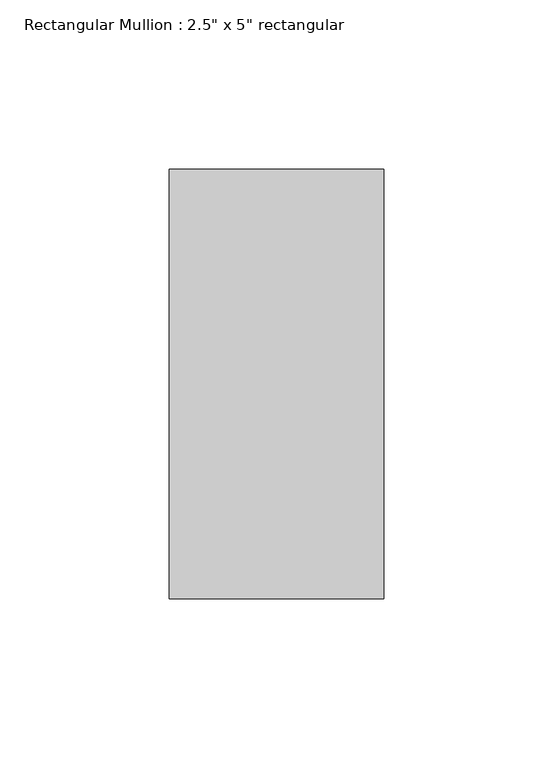
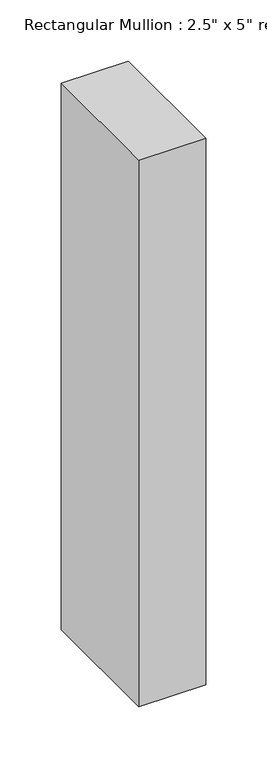
"""IFC4 building model written with IfcOpenShell, lengths in millimetres: member geometry."""

from ifc_helpers import new_model, si_unit, frame, origin, place, context, project, spatial, polyline, outline, extrude, source, transform, mapped, element, save


def member_a980948f(model_context):
    return source(origin(), model_context, "Body", "SweptSolid", [
        extrude(outline(polyline([(0.0, 63.5), (0.0, -63.5), (-63.5, -63.5), (-63.5, 63.5), (0.0, 63.5)])), frame((0.0, 0.0, -546.1), z_axis=(0.0, 0.0, 1.0), x_axis=(1.0, 0.0, 0.0)), (0.0, 0.0, 1.0), 546.1),
    ])


if __name__ == "__main__":
    model = new_model("IFC4")
    model_context = context("Model", 3, world=origin())
    ifc_project = project(units=[si_unit("LENGTHUNIT", "METRE", prefix="MILLI")], contexts=[model_context])
    site = spatial("IfcSite", under=ifc_project)
    building = spatial("IfcBuilding", under=site)
    placement = place(None, origin())
    member_shape = member_a980948f(model_context)
    element("IfcMember", 1, ObjectType="Rectangular Mullion : 2.5\" x 5\" rectangular", at=placement, inside=building, context=model_context, shape_type="MappedRepresentation", body=[
        mapped(member_shape, transform((0.0, 0.0, 0.0), x_axis=(1.0, 0.0, 0.0), y_axis=(0.0, 1.0, 0.0), z_axis=(0.0, 0.0, 1.0))),
    ])
    save(model, "model.ifc")
